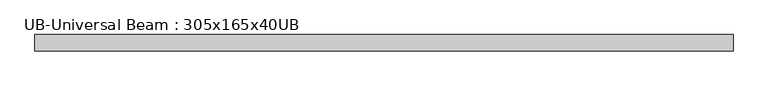
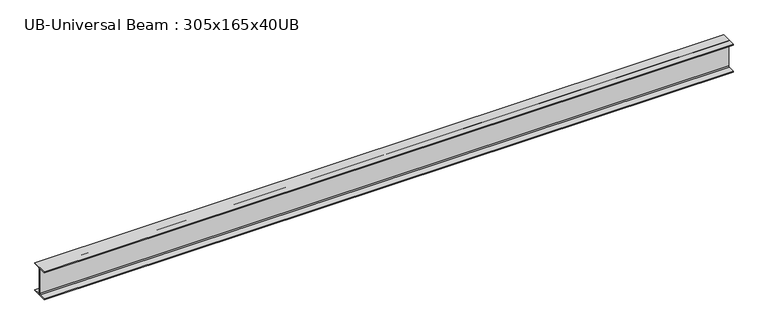
"""IFC4 building model written with IfcOpenShell, lengths in millimetres: beam geometry, UB-Universal Beam : 305x165x40UB."""

from ifc_helpers import new_model, si_unit, point, frame, frame_2d, origin, place, context, project, spatial, polyline, circle_curve, trimmed, segment, composite_curve, outline, extrude, source, transform, mapped, element, save


def ub_universal_beam_305x165x40ub_fca2d46b(model_context):
    return source(origin(), model_context, "Body", "SweptSolid", [
        extrude(outline(composite_curve([segment(polyline([(82.5, -141.5), (82.5, -151.7), (-82.5, -151.7), (-82.5, -141.5), (-11.9, -141.5)]), True, "CONTINUOUS"), segment(trimmed(circle_curve(frame_2d((-11.9, -132.6)), 8.9), [point((-11.9, -141.5))], [point((-3.0, -132.6))], True, "CARTESIAN"), True, "CONTINUOUS"), segment(polyline([(-3.0, -132.6), (-3.0, 132.6)]), True, "CONTINUOUS"), segment(trimmed(circle_curve(frame_2d((-11.9, 132.6)), 8.9), [point((-3.0, 132.6))], [point((-11.9, 141.5))], True, "CARTESIAN"), True, "CONTINUOUS"), segment(polyline([(-11.9, 141.5), (-82.5, 141.5), (-82.5, 151.7), (82.5, 151.7), (82.5, 141.5), (11.9, 141.5)]), True, "CONTINUOUS"), segment(trimmed(circle_curve(frame_2d((11.9, 132.6)), 8.9), [point((11.9, 141.5))], [point((3.0, 132.6))], True, "CARTESIAN"), True, "CONTINUOUS"), segment(polyline([(3.0, 132.6), (3.0, -132.6)]), True, "CONTINUOUS"), segment(trimmed(circle_curve(frame_2d((11.9, -132.6)), 8.9), [point((3.0, -132.6))], [point((11.9, -141.5))], True, "CARTESIAN"), True, "CONTINUOUS"), segment(polyline([(11.9, -141.5), (82.5, -141.5)]), True, "CONTINUOUS")], self_intersect=False)), frame((-3489.0989808, 0.0, 0.0), z_axis=(1.0, 0.0, 0.0), x_axis=(0.0, 1.0, 0.0)), (0.0, 0.0, 1.0), 7076.9996149),
    ])


if __name__ == "__main__":
    model = new_model("IFC4")
    model_context = context("Model", 3, world=origin())
    ifc_project = project(units=[si_unit("LENGTHUNIT", "METRE", prefix="MILLI")], contexts=[model_context])
    site = spatial("IfcSite", under=ifc_project)
    building = spatial("IfcBuilding", under=site)
    placement = place(None, origin())
    ub_universal_beam_305x165x40ub_shape = ub_universal_beam_305x165x40ub_fca2d46b(model_context)
    element("IfcBeam", 1, ObjectType="UB-Universal Beam : 305x165x40UB", at=placement, inside=building, context=model_context, shape_type="MappedRepresentation", body=[
        mapped(ub_universal_beam_305x165x40ub_shape, transform((0.0, 0.0, 0.0), x_axis=(1.0, 0.0, 0.0), y_axis=(0.0, 1.0, 0.0), z_axis=(0.0, 0.0, 1.0))),
    ])
    save(model, "model.ifc")
